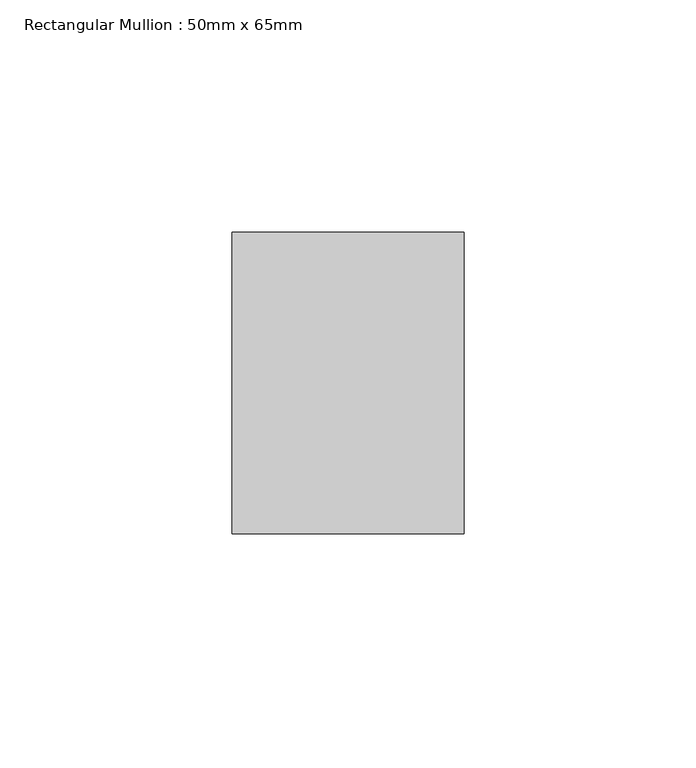
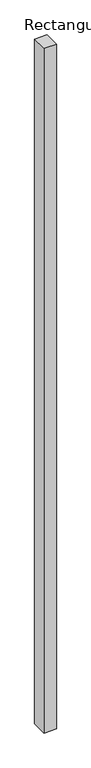
"""IFC4 building model written with IfcOpenShell, lengths in millimetres: member geometry, Rectangular Mullion : 50mm x 65mm."""

from ifc_helpers import new_model, si_unit, frame, origin, place, context, project, spatial, polyline, outline, extrude, source, transform, mapped, element, save


def rectangular_mullion_50mm_x_65mm_84cdbf33(model_context):
    return source(origin(), model_context, "Body", "SweptSolid", [
        extrude(outline(polyline([(25.0, 32.5), (25.0, -32.5), (-25.0, -32.5), (-25.0, 32.5), (25.0, 32.5)])), frame((0.0, 0.0, -2924.9796982), z_axis=(0.0, 0.0, 1.0), x_axis=(1.0, 0.0, 0.0)), (0.0, 0.0, 1.0), 2924.9796982),
    ])


if __name__ == "__main__":
    model = new_model("IFC4")
    model_context = context("Model", 3, world=origin())
    ifc_project = project(units=[si_unit("LENGTHUNIT", "METRE", prefix="MILLI")], contexts=[model_context])
    site = spatial("IfcSite", under=ifc_project)
    building = spatial("IfcBuilding", under=site)
    placement = place(None, origin())
    rectangular_mullion_50mm_x_65mm_shape = rectangular_mullion_50mm_x_65mm_84cdbf33(model_context)
    element("IfcMember", 1, ObjectType="Rectangular Mullion : 50mm x 65mm", at=placement, inside=building, context=model_context, shape_type="MappedRepresentation", body=[
        mapped(rectangular_mullion_50mm_x_65mm_shape, transform((0.0, 0.0, 0.0), x_axis=(1.0, 0.0, 0.0), y_axis=(0.0, 1.0, 0.0), z_axis=(0.0, 0.0, 1.0))),
    ])
    save(model, "model.ifc")
